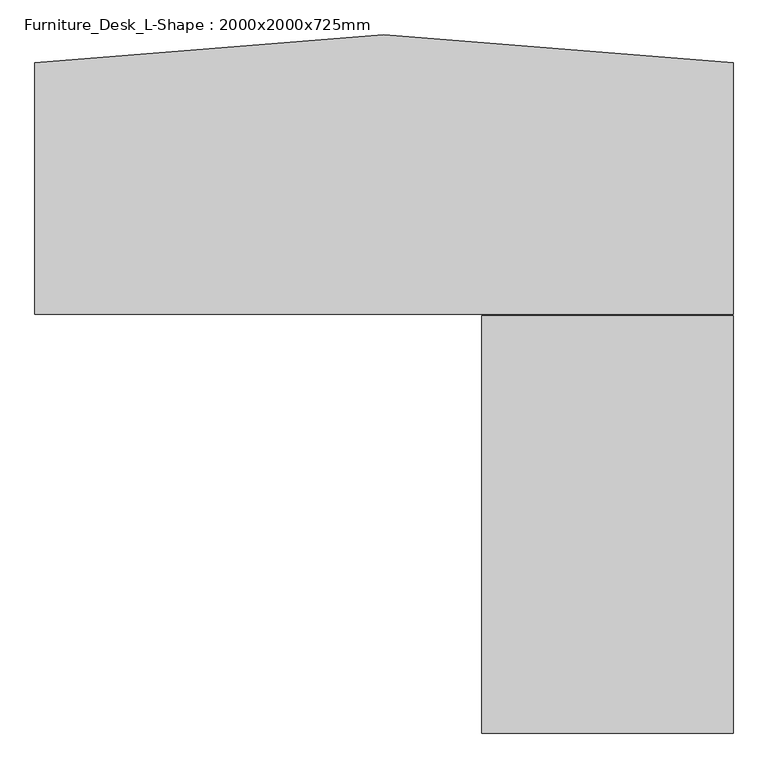
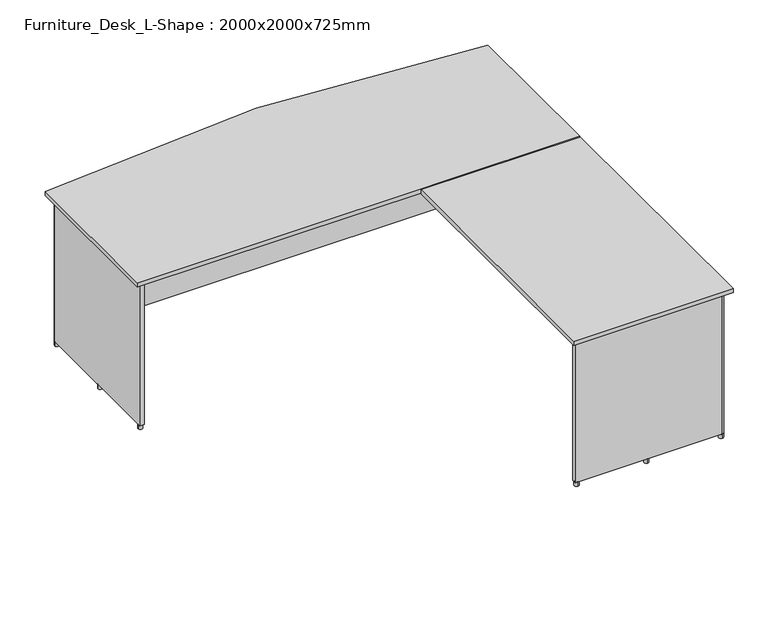
"""IFC4 building model written with IfcOpenShell, lengths in millimetres: furniture geometry, Furniture_Desk_L-Shape : 2000x2000x725mm."""

from ifc_helpers import new_model, si_unit, point, frame, frame_2d, origin, origin_with_axes, place, context, project, spatial, polyline, circle_curve, trimmed, segment, composite_curve, outline, extrude, source, transform, mapped, element, save


def furniture_desk_l_shape_2000x2000x725mm_78cfff1c(model_context):
    return source(origin(), model_context, "Body", "SweptSolid", [
        extrude(outline(composite_curve([segment(trimmed(circle_curve(frame_2d((-1250.0003738, 26.5806648)), 10.0), [point((-1260.0003738, 26.5806648))], [point((-1240.0003738, 26.5806648))], False, "CARTESIAN"), True, "CONTINUOUS"), segment(trimmed(circle_curve(frame_2d((-1250.0003738, 26.5806648)), 10.0), [point((-1240.0003738, 26.5806648))], [point((-1260.0003738, 26.5806648))], False, "CARTESIAN"), True, "CONTINUOUS")], self_intersect=False)), origin_with_axes(), (0.0, 0.0, 1.0), 20.0),
        extrude(outline(composite_curve([segment(trimmed(circle_curve(frame_2d((-1250.0003738, 679.3436367)), 10.0), [point((-1260.0003738, 679.3436367))], [point((-1240.0003738, 679.3436367))], False, "CARTESIAN"), True, "CONTINUOUS"), segment(trimmed(circle_curve(frame_2d((-1250.0003738, 679.3436367)), 10.0), [point((-1240.0003738, 679.3436367))], [point((-1260.0003738, 679.3436367))], False, "CARTESIAN"), True, "CONTINUOUS")], self_intersect=False)), origin_with_axes(), (0.0, 0.0, 1.0), 20.0),
        extrude(outline(composite_curve([segment(trimmed(circle_curve(frame_2d((-1250.0003738, 341.5806648)), 10.0), [point((-1260.0003738, 341.5806648))], [point((-1240.0003738, 341.5806648))], False, "CARTESIAN"), True, "CONTINUOUS"), segment(trimmed(circle_curve(frame_2d((-1250.0003738, 341.5806648)), 10.0), [point((-1240.0003738, 341.5806648))], [point((-1260.0003738, 341.5806648))], False, "CARTESIAN"), True, "CONTINUOUS")], self_intersect=False)), origin_with_axes(), (0.0, 0.0, 1.0), 20.0),
        extrude(outline(composite_curve([segment(trimmed(circle_curve(frame_2d((690.0003738, 26.5806648)), 10.0), [point((700.0003738, 26.5806648))], [point((680.0003738, 26.5806648))], False, "CARTESIAN"), True, "CONTINUOUS"), segment(trimmed(circle_curve(frame_2d((690.0003738, 26.5806648)), 10.0), [point((680.0003738, 26.5806648))], [point((700.0003738, 26.5806648))], False, "CARTESIAN"), True, "CONTINUOUS")], self_intersect=False)), origin_with_axes(), (0.0, 0.0, 1.0), 20.0),
        extrude(outline(composite_curve([segment(trimmed(circle_curve(frame_2d((690.0003738, 679.3436367)), 10.0), [point((700.0003738, 679.3436367))], [point((680.0003738, 679.3436367))], False, "CARTESIAN"), True, "CONTINUOUS"), segment(trimmed(circle_curve(frame_2d((690.0003738, 679.3436367)), 10.0), [point((680.0003738, 679.3436367))], [point((700.0003738, 679.3436367))], False, "CARTESIAN"), True, "CONTINUOUS")], self_intersect=False)), origin_with_axes(), (0.0, 0.0, 1.0), 20.0),
        extrude(outline(composite_curve([segment(trimmed(circle_curve(frame_2d((690.0003738, 341.5806648)), 10.0), [point((700.0003738, 341.5806648))], [point((680.0003738, 341.5806648))], False, "CARTESIAN"), True, "CONTINUOUS"), segment(trimmed(circle_curve(frame_2d((690.0003738, 341.5806648)), 10.0), [point((680.0003738, 341.5806648))], [point((700.0003738, 341.5806648))], False, "CARTESIAN"), True, "CONTINUOUS")], self_intersect=False)), origin_with_axes(), (0.0, 0.0, 1.0), 20.0),
        extrude(outline(composite_curve([segment(trimmed(circle_curve(frame_2d((33.3473423, -1163.8215353)), 10.0), [point((33.3473423, -1173.8215353))], [point((33.3473423, -1153.8215353))], False, "CARTESIAN"), True, "CONTINUOUS"), segment(trimmed(circle_curve(frame_2d((33.3473423, -1163.8215353)), 10.0), [point((33.3473423, -1153.8215353))], [point((33.3473423, -1173.8215353))], False, "CARTESIAN"), True, "CONTINUOUS")], self_intersect=False)), origin_with_axes(), (0.0, 0.0, 1.0), 20.0),
        extrude(outline(composite_curve([segment(trimmed(circle_curve(frame_2d((686.1103142, -1163.8215353)), 10.0), [point((686.1103142, -1173.8215353))], [point((686.1103142, -1153.8215353))], False, "CARTESIAN"), True, "CONTINUOUS"), segment(trimmed(circle_curve(frame_2d((686.1103142, -1163.8215353)), 10.0), [point((686.1103142, -1153.8215353))], [point((686.1103142, -1173.8215353))], False, "CARTESIAN"), True, "CONTINUOUS")], self_intersect=False)), origin_with_axes(), (0.0, 0.0, 1.0), 20.0),
        extrude(outline(composite_curve([segment(trimmed(circle_curve(frame_2d((348.3473423, -1163.8215353)), 10.0), [point((348.3473423, -1173.8215353))], [point((348.3473423, -1153.8215353))], False, "CARTESIAN"), True, "CONTINUOUS"), segment(trimmed(circle_curve(frame_2d((348.3473423, -1163.8215353)), 10.0), [point((348.3473423, -1153.8215353))], [point((348.3473423, -1173.8215353))], False, "CARTESIAN"), True, "CONTINUOUS")], self_intersect=False)), origin_with_axes(), (0.0, 0.0, 1.0), 20.0),
        extrude(outline(polyline([(700.0, 15.0), (700.0, -1145.0), (680.0, -1145.0), (680.0, 15.0), (700.0, 15.0)])), frame((0.0, 0.0, 220.0), z_axis=(0.0, 0.0, 1.0), x_axis=(1.0, 0.0, 0.0)), (0.0, 0.0, 1.0), 480.0),
        extrude(outline(polyline([(680.0, 470.0), (-1240.0, 470.0), (-1240.0, 490.0), (680.0, 490.0), (680.0, 470.0)])), frame((0.0, 0.0, 220.0), z_axis=(0.0, 0.0, 1.0), x_axis=(1.0, 0.0, 0.0)), (0.0, 0.0, 1.0), 480.0),
        extrude(outline(composite_curve([segment(polyline([(-1240.0, 15.0), (-1260.0, 15.0), (-1260.0, 680.0)]), True, "CONTINUOUS"), segment(trimmed(circle_curve(frame_2d((-1250.0, 680.0)), 10.0), [point((-1260.0, 680.0))], [point((-1240.0, 680.0))], False, "CARTESIAN"), True, "CONTINUOUS"), segment(polyline([(-1240.0, 680.0), (-1240.0, 15.0)]), True, "CONTINUOUS")], self_intersect=False)), frame((0.0, 0.0, 20.0), z_axis=(0.0, 0.0, 1.0), x_axis=(1.0, 0.0, 0.0)), (0.0, 0.0, 1.0), 680.0),
        extrude(outline(composite_curve([segment(polyline([(21.1103142, -1173.8215353), (21.1103142, -1153.8215353), (686.1103142, -1153.8215353)]), True, "CONTINUOUS"), segment(trimmed(circle_curve(frame_2d((686.1103142, -1163.8215353)), 10.0), [point((686.1103142, -1153.8215353))], [point((686.1103142, -1173.8215353))], False, "CARTESIAN"), True, "CONTINUOUS"), segment(polyline([(686.1103142, -1173.8215353), (21.1103142, -1173.8215353)]), True, "CONTINUOUS")], self_intersect=False)), frame((0.0, 0.0, 20.0), z_axis=(0.0, 0.0, 1.0), x_axis=(1.0, 0.0, 0.0)), (0.0, 0.0, 1.0), 680.0),
        extrude(outline(composite_curve([segment(polyline([(680.0, 15.0), (680.0, 680.0)]), True, "CONTINUOUS"), segment(trimmed(circle_curve(frame_2d((690.0, 680.0)), 10.0), [point((680.0, 680.0))], [point((700.0, 680.0))], False, "CARTESIAN"), True, "CONTINUOUS"), segment(polyline([(700.0, 680.0), (700.0, 15.0), (680.0, 15.0)]), True, "CONTINUOUS")], self_intersect=False)), frame((0.0, 0.0, 20.0), z_axis=(0.0, 0.0, 1.0), x_axis=(1.0, 0.0, 0.0)), (0.0, 0.0, 1.0), 680.0),
        extrude(outline(polyline([(0.0, -1200.0), (0.0, -5.0), (720.0, -5.0), (720.0, -1200.0), (0.0, -1200.0)])), frame((0.0, 0.0, 700.0), z_axis=(0.0, 0.0, 1.0), x_axis=(1.0, 0.0, 0.0)), (0.0, 0.0, 1.0), 20.0),
        extrude(outline(composite_curve([segment(trimmed(circle_curve(frame_2d((-280.0, -5490.0)), 6290.0), [point((-1280.0, 720.0))], [point((720.0, 720.0))], False, "CARTESIAN"), True, "CONTINUOUS"), segment(polyline([(720.0, 720.0), (720.0, 0.0), (-1280.0, 0.0), (-1280.0, 720.0)]), True, "CONTINUOUS")], self_intersect=False)), frame((0.0, 0.0, 700.0), z_axis=(0.0, 0.0, 1.0), x_axis=(1.0, 0.0, 0.0)), (0.0, 0.0, 1.0), 20.0),
    ])


if __name__ == "__main__":
    model = new_model("IFC4")
    model_context = context("Model", 3, world=origin())
    ifc_project = project(units=[si_unit("LENGTHUNIT", "METRE", prefix="MILLI")], contexts=[model_context])
    site = spatial("IfcSite", under=ifc_project)
    building = spatial("IfcBuilding", under=site)
    placement = place(None, origin())
    furniture_desk_l_shape_2000x2000x725mm_shape = furniture_desk_l_shape_2000x2000x725mm_78cfff1c(model_context)
    element("IfcFurniture", 1, ObjectType="Furniture_Desk_L-Shape : 2000x2000x725mm", at=placement, inside=building, context=model_context, shape_type="MappedRepresentation", body=[
        mapped(furniture_desk_l_shape_2000x2000x725mm_shape, transform((0.0, 0.0, 0.0), x_axis=(1.0, 0.0, 0.0), y_axis=(0.0, 1.0, 0.0), z_axis=(0.0, 0.0, 1.0))),
    ])
    save(model, "model.ifc")
